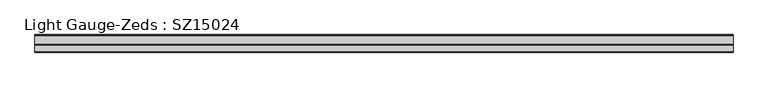
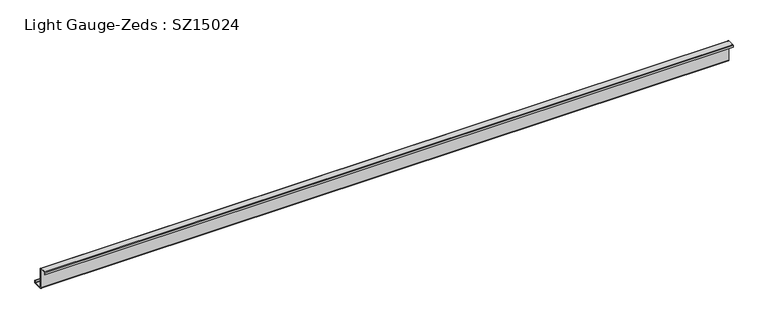
"""IFC4 building model written with IfcOpenShell, lengths in millimetres: beam geometry, Light Gauge-Zeds : SZ15024."""

from ifc_helpers import new_model, si_unit, point, frame, frame_2d, origin, place, context, project, spatial, polyline, circle_curve, trimmed, segment, composite_curve, outline, extrude, source, transform, mapped, element, save


def light_gauge_zeds_sz15024_5f23bee3(model_context):
    return source(origin(), model_context, "Body", "SweptSolid", [
        extrude(outline(composite_curve([segment(polyline([(0.0, -71.6), (0.0, 71.6)]), True, "CONTINUOUS"), segment(trimmed(circle_curve(frame_2d((-2.0, 71.6)), 2.0), [point((0.0, 71.6))], [point((-2.0, 73.6))], True, "CARTESIAN"), True, "CONTINUOUS"), segment(polyline([(-2.0, 73.6), (-47.6, 73.6)]), True, "CONTINUOUS"), segment(trimmed(circle_curve(frame_2d((-47.6, 71.6)), 2.0), [point((-47.6, 73.6))], [point((-49.6, 71.6))], True, "CARTESIAN"), True, "CONTINUOUS"), segment(polyline([(-49.6, 71.6), (-49.6, 57.0), (-52.0, 57.0), (-52.0, 71.6)]), True, "CONTINUOUS"), segment(trimmed(circle_curve(frame_2d((-47.6, 71.6)), 4.4), [point((-52.0, 71.6))], [point((-47.6, 76.0))], False, "CARTESIAN"), True, "CONTINUOUS"), segment(polyline([(-47.6, 76.0), (-2.0, 76.0)]), True, "CONTINUOUS"), segment(trimmed(circle_curve(frame_2d((-2.0, 71.6)), 4.4), [point((-2.0, 76.0))], [point((2.4, 71.6))], False, "CARTESIAN"), True, "CONTINUOUS"), segment(polyline([(2.4, 71.6), (2.4, -71.6)]), True, "CONTINUOUS"), segment(trimmed(circle_curve(frame_2d((4.4, -71.6)), 2.0), [point((2.4, -71.6))], [point((4.4, -73.6))], True, "CARTESIAN"), True, "CONTINUOUS"), segment(polyline([(4.4, -73.6), (65.6, -73.6)]), True, "CONTINUOUS"), segment(trimmed(circle_curve(frame_2d((65.6, -71.6)), 2.0), [point((65.6, -73.6))], [point((67.6, -71.6))], True, "CARTESIAN"), True, "CONTINUOUS"), segment(polyline([(67.6, -71.6), (67.6, -56.0), (70.0, -56.0), (70.0, -71.6)]), True, "CONTINUOUS"), segment(trimmed(circle_curve(frame_2d((65.6, -71.6)), 4.4), [point((70.0, -71.6))], [point((65.6, -76.0))], False, "CARTESIAN"), True, "CONTINUOUS"), segment(polyline([(65.6, -76.0), (4.4, -76.0)]), True, "CONTINUOUS"), segment(trimmed(circle_curve(frame_2d((4.4, -71.6)), 4.4), [point((4.4, -76.0))], [point((0.0, -71.6))], False, "CARTESIAN"), True, "CONTINUOUS")], self_intersect=False)), frame((-2425.0, 0.0, 0.0), z_axis=(1.0, 0.0, 0.0), x_axis=(0.0, 1.0, 0.0)), (0.0, 0.0, 1.0), 4837.0),
    ])


if __name__ == "__main__":
    model = new_model("IFC4")
    model_context = context("Model", 3, world=origin())
    ifc_project = project(units=[si_unit("LENGTHUNIT", "METRE", prefix="MILLI")], contexts=[model_context])
    site = spatial("IfcSite", under=ifc_project)
    building = spatial("IfcBuilding", under=site)
    placement = place(None, origin())
    light_gauge_zeds_sz15024_shape = light_gauge_zeds_sz15024_5f23bee3(model_context)
    element("IfcBeam", 1, ObjectType="Light Gauge-Zeds : SZ15024", at=placement, inside=building, context=model_context, shape_type="MappedRepresentation", body=[
        mapped(light_gauge_zeds_sz15024_shape, transform((0.0, 0.0, 0.0), x_axis=(1.0, 0.0, 0.0), y_axis=(0.0, 1.0, 0.0), z_axis=(0.0, 0.0, 1.0))),
    ])
    save(model, "model.ifc")
